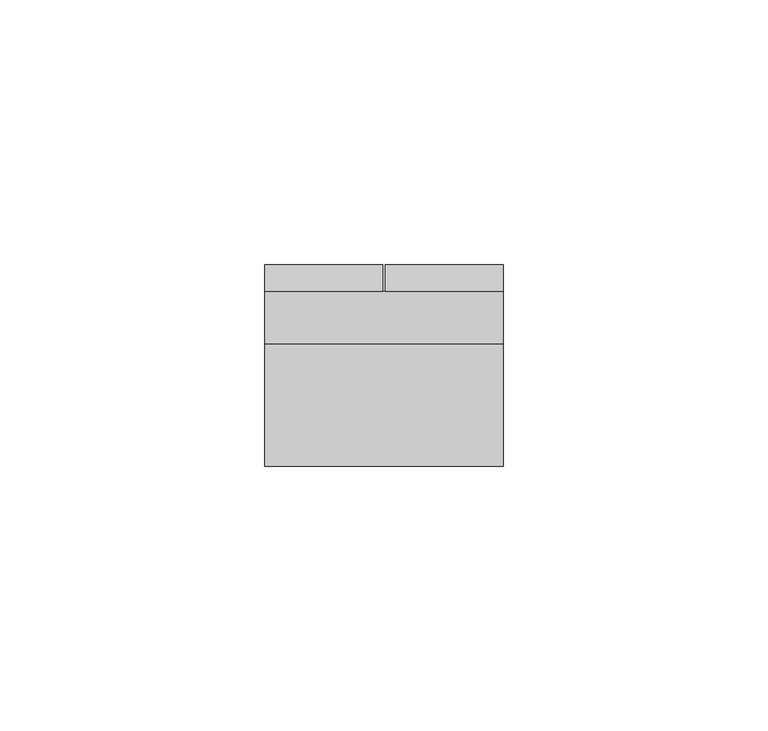
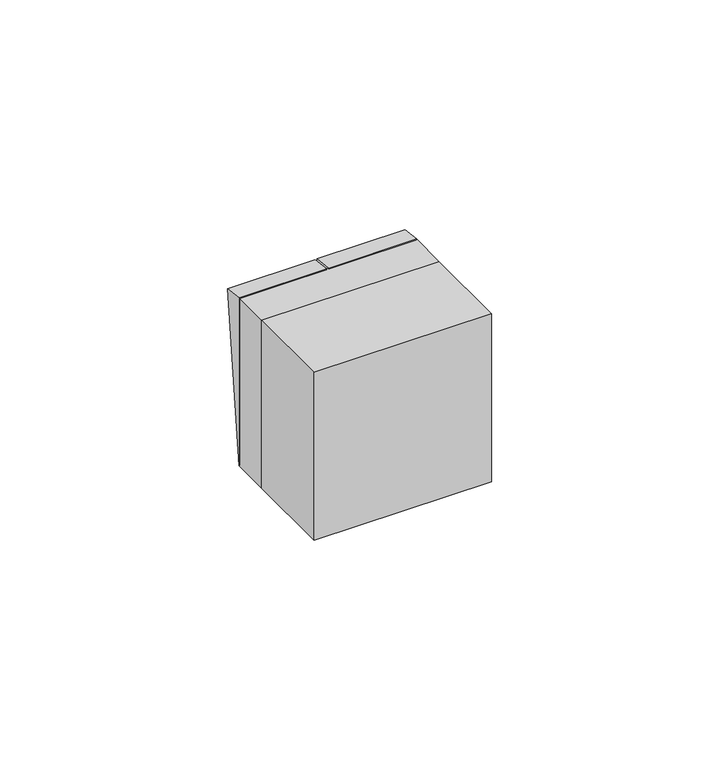
"""IFC4 building model written with IfcOpenShell, lengths in millimetres: switching device geometry."""

from ifc_helpers import new_model, si_unit, frame, origin, place, context, project, spatial, polyline, outline, extrude, faceted_brep, source, transform, mapped, element, save


def switching_device_f04fbc85(model_context):
    return source(origin(), model_context, "Body", "SolidModel", [
        extrude(outline(polyline([(0.0, -2.0), (0.0, 0.0), (0.9999999, 0.0), (0.9999999, -2.0), (0.0, -2.0)])), frame((4.0, 12.2452249, -2.4844182), z_axis=(0.0, 0.11147470448260181, 0.9937672716790973), x_axis=(0.0, -0.9937672716790973, 0.11147470448260181)), (0.0, 0.0, 1.0), 5.0),
        faceted_brep([(22.5, 10.0, -22.5), (22.5, 14.9850961, 21.9408026), (22.5, 10.0, 22.5), (0.25, 10.0, -22.5), (0.25, 10.0, 22.5), (0.25, 14.9850961, 21.9408026), (4.0, 12.2452249, -2.4844182), (4.0, 12.8025985, 2.4844182), (2.0, 12.8025985, 2.4844182), (2.0, 12.2452249, -2.4844182), (4.0, 11.2514577, -2.3729435), (2.0, 11.2514577, -2.3729435), (2.0, 11.8088312, 2.5958929), (4.0, 11.8088312, 2.5958929)], [[[0, 1, 2]], [[3, 4, 5]], [[1, 0, 3, 5], [6, 7, 8, 9]], [[2, 1, 5, 4]], [[0, 2, 4, 3]], [[10, 11, 12, 13]], [[10, 13, 7, 6]], [[13, 12, 8, 7]], [[12, 11, 9, 8]], [[11, 10, 6, 9]]]),
        faceted_brep([(-0.25, 10.0, -22.5), (-0.25, 14.9850961, 21.9408026), (-0.25, 10.0, 22.5), (-22.5, 10.0, -22.5), (-22.5, 10.0, 22.5), (-22.5, 14.9850961, 21.9408026), (-2.0, 12.2452249, -2.4844182), (-2.0, 12.8025985, 2.4844182), (-4.0, 12.8025985, 2.4844182), (-4.0, 12.2452249, -2.4844182), (-2.0, 11.2514577, -2.3729435), (-4.0, 11.2514577, -2.3729435), (-4.0, 11.8088312, 2.5958929), (-2.0, 11.8088312, 2.5958929)], [[[0, 1, 2]], [[3, 4, 5]], [[1, 0, 3, 5], [6, 7, 8, 9]], [[2, 1, 5, 4]], [[0, 2, 4, 3]], [[10, 11, 12, 13]], [[10, 13, 7, 6]], [[13, 12, 8, 7]], [[12, 11, 9, 8]], [[11, 10, 6, 9]]]),
        extrude(outline(polyline([(0.0, -2.0), (0.0, 0.0), (0.9999999, 0.0), (0.9999999, -2.0), (0.0, -2.0)])), frame((-2.0, 12.2452249, -2.4844182), z_axis=(0.0, 0.11147470448260181, 0.9937672716790973), x_axis=(0.0, -0.9937672716790973, 0.11147470448260181)), (0.0, 0.0, 1.0), 5.0),
        extrude(outline(polyline([(22.5, -23.0), (-22.5, -23.0), (-22.5, 0.0), (22.5, 0.0), (22.5, -23.0)])), frame((0.0, 0.0, -22.5), z_axis=(0.0, 0.0, 1.0), x_axis=(1.0, 0.0, 0.0)), (0.0, 0.0, 1.0), 45.0),
        extrude(outline(polyline([(22.5, 0.0), (-22.5, 0.0), (-22.5, 10.0), (22.5, 10.0), (22.5, 0.0)])), frame((0.0, 0.0, -22.5), z_axis=(0.0, 0.0, 1.0), x_axis=(1.0, 0.0, 0.0)), (0.0, 0.0, 1.0), 45.0),
    ])


if __name__ == "__main__":
    model = new_model("IFC4")
    model_context = context("Model", 3, world=origin())
    ifc_project = project(units=[si_unit("LENGTHUNIT", "METRE", prefix="MILLI")], contexts=[model_context])
    site = spatial("IfcSite", under=ifc_project)
    building = spatial("IfcBuilding", under=site)
    placement = place(None, origin())
    switching_device_shape = switching_device_f04fbc85(model_context)
    element("IfcSwitchingDevice", 1, at=placement, inside=building, context=model_context, shape_type="MappedRepresentation", body=[
        mapped(switching_device_shape, transform((0.0, 0.0, 0.0), x_axis=(1.0, 0.0, 0.0), y_axis=(0.0, 1.0, 0.0), z_axis=(0.0, 0.0, 1.0))),
    ])
    save(model, "model.ifc")
